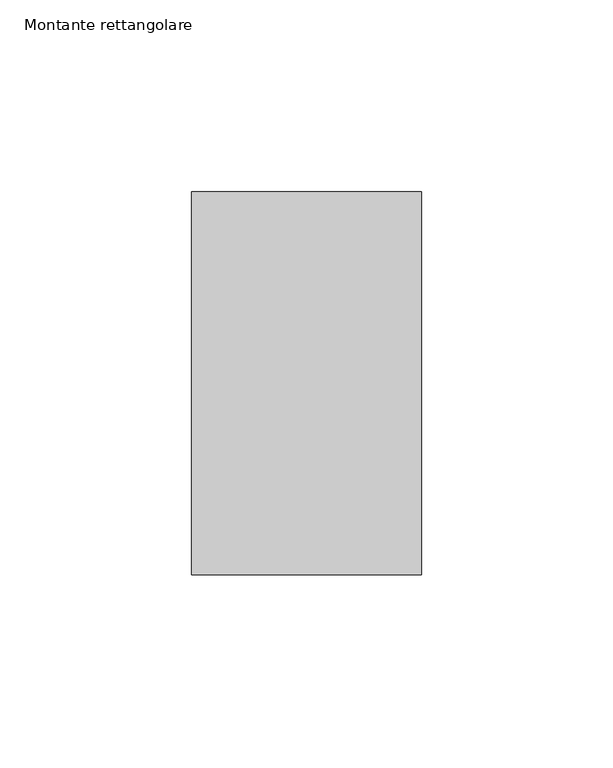
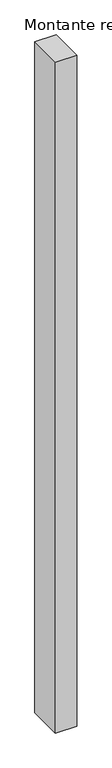
"""IFC4 building model written with IfcOpenShell, lengths in millimetres: member geometry, Montante rettangolare."""

from ifc_helpers import new_model, si_unit, frame, origin, place, context, project, spatial, polyline, outline, extrude, source, transform, mapped, element, save


def montante_rettangolare_08741d4f(model_context):
    return source(origin(), model_context, "Body", "SweptSolid", [
        extrude(outline(polyline([(0.0, 50.0), (0.0, -50.0), (-60.0, -50.0), (-60.0, 50.0), (0.0, 50.0)])), frame((0.0, 0.0, -2002.7702144), z_axis=(0.0, 0.0, 1.0), x_axis=(1.0, 0.0, 0.0)), (0.0, 0.0, 1.0), 2002.7702144),
    ])


if __name__ == "__main__":
    model = new_model("IFC4")
    model_context = context("Model", 3, world=origin())
    ifc_project = project(units=[si_unit("LENGTHUNIT", "METRE", prefix="MILLI")], contexts=[model_context])
    site = spatial("IfcSite", under=ifc_project)
    building = spatial("IfcBuilding", under=site)
    placement = place(None, origin())
    montante_rettangolare_shape = montante_rettangolare_08741d4f(model_context)
    element("IfcMember", 1, ObjectType="Montante rettangolare", at=placement, inside=building, context=model_context, shape_type="MappedRepresentation", body=[
        mapped(montante_rettangolare_shape, transform((0.0, 0.0, 0.0), x_axis=(1.0, 0.0, 0.0), y_axis=(0.0, 1.0, 0.0), z_axis=(0.0, 0.0, 1.0))),
    ])
    save(model, "model.ifc")
